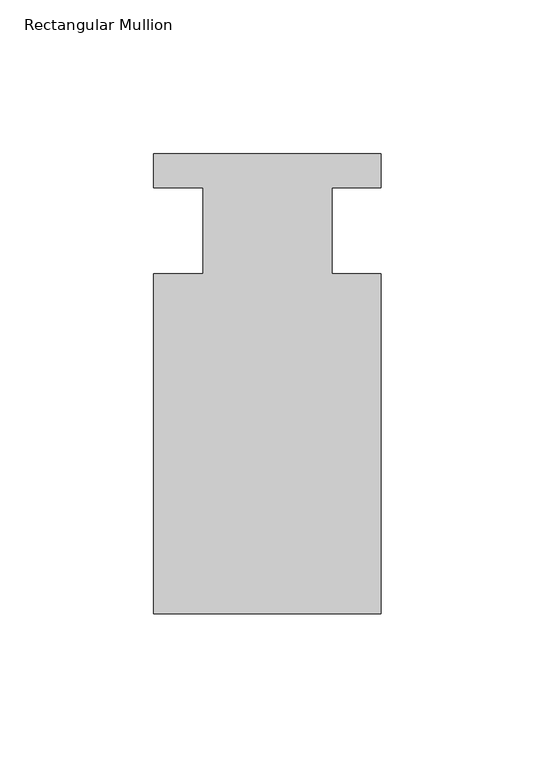
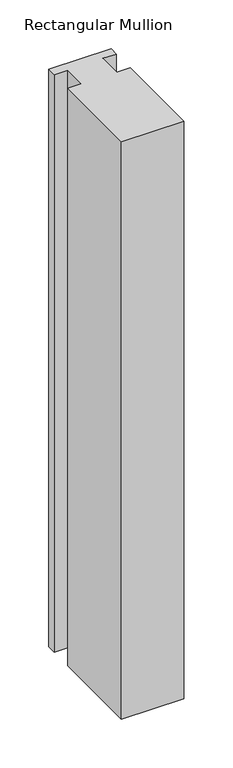
"""IFC4 building model written with IfcOpenShell, lengths in millimetres: member geometry, Rectangular Mullion."""

from ifc_helpers import new_model, si_unit, frame, origin, place, context, project, spatial, polyline, outline, extrude, source, transform, mapped, element, save


def rectangular_mullion_8585b3ac(model_context):
    return source(origin(), model_context, "Body", "SweptSolid", [
        extrude(outline(polyline([(-20.9800745, -13.9998907), (-20.9800745, 14.0), (-37.0, 14.0), (-37.0, 25.0), (36.9800745, 25.0), (36.9800745, 14.0), (20.9800745, 14.0), (20.9800745, -13.9998907), (37.0, -13.9998907), (37.0, -124.5), (-37.0, -124.5), (-37.0, -13.9998907), (-20.9800745, -13.9998907)])), frame((0.0, 0.0, -724.000019), z_axis=(0.0, 0.0, 1.0), x_axis=(1.0, 0.0, 0.0)), (0.0, 0.0, 1.0), 724.000019),
    ])


if __name__ == "__main__":
    model = new_model("IFC4")
    model_context = context("Model", 3, world=origin())
    ifc_project = project(units=[si_unit("LENGTHUNIT", "METRE", prefix="MILLI")], contexts=[model_context])
    site = spatial("IfcSite", under=ifc_project)
    building = spatial("IfcBuilding", under=site)
    placement = place(None, origin())
    rectangular_mullion_shape = rectangular_mullion_8585b3ac(model_context)
    element("IfcMember", 1, ObjectType="Rectangular Mullion", at=placement, inside=building, context=model_context, shape_type="MappedRepresentation", body=[
        mapped(rectangular_mullion_shape, transform((0.0, 0.0, 0.0), x_axis=(1.0, 0.0, 0.0), y_axis=(0.0, 1.0, 0.0), z_axis=(0.0, 0.0, 1.0))),
    ])
    save(model, "model.ifc")
